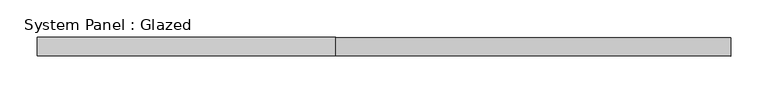
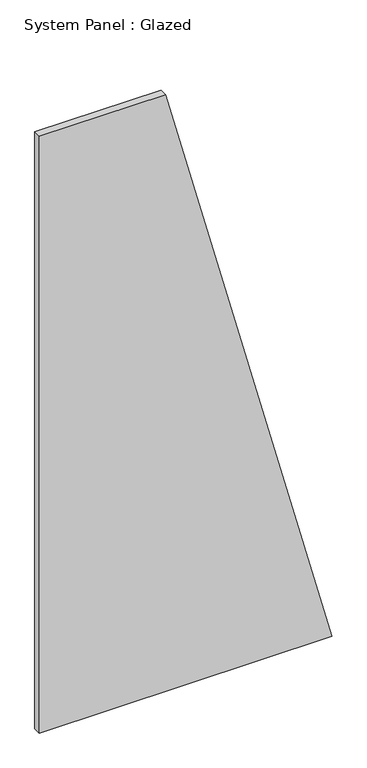
"""IFC4 building model written with IfcOpenShell, lengths in millimetres: plate geometry, System Panel : Glazed."""

import ifcopenshell
import ifcopenshell.guid

model = None  # the IFC model being written
_history = None  # IfcOwnerHistory: only IFC2X3 demands one
_inside = {}  # id of a spatial element -> (the spatial element, [elements in it])
_under = {}  # id of a project, library or spatial element -> (it, [spatial elements below it])
_declared = {}  # id of a project -> (the project, [libraries it declares])
_typed = {}  # id of a type object -> (the type object, [elements of that type])
_made_of = {}  # id of a material, layer set ... -> (it, [elements and type objects made of it])


def new_model(schema):
    """Start an empty IFC model of exactly this schema.

    Asked for "IFC4X3", IfcOpenShell would pick the latest addendum, in which some entities
    have other attributes; the version numbers below select the first issue.
    IFC2X3 requires an IfcOwnerHistory on every rooted entity: one is made here for all.
    """
    global model, _history
    if schema == "IFC4X3":
        model = ifcopenshell.file(schema_version=(4, 3, 0, 0))
    else:
        model = ifcopenshell.file(schema=schema)
    _inside.clear()
    _under.clear()
    _declared.clear()
    _typed.clear()
    _made_of.clear()
    _history = None
    if model.schema == "IFC2X3":
        org = make("IfcOrganization", Name="unknown")
        user = make(
            "IfcPersonAndOrganization",
            ThePerson=make("IfcPerson", FamilyName="unknown"),
            TheOrganization=org,
        )
        app = make(
            "IfcApplication",
            ApplicationDeveloper=org,
            Version="unknown",
            ApplicationFullName="unknown",
            ApplicationIdentifier="unknown",
        )
        _history = make(
            "IfcOwnerHistory",
            OwningUser=user,
            OwningApplication=app,
            ChangeAction="ADDED",
            CreationDate=0,
        )
    return model


def make(cls, **values):
    """One entity of the class cls with the attributes given. An attribute that is None is left unset."""
    return model.create_entity(
        cls, **{name: value for name, value in values.items() if value is not None}
    )


def rooted(cls, **values):
    """An entity with a GlobalId (a new one), such as an element, a storey or a relation."""
    return make(cls, GlobalId=ifcopenshell.guid.new(), OwnerHistory=_history, **values)


def si_unit(unit_type, name, prefix=None):
    """IfcSIUnit, for example si_unit("LENGTHUNIT", "METRE", prefix="MILLI")."""
    return make("IfcSIUnit", UnitType=unit_type, Prefix=prefix, Name=name)


def assignment(units):
    """IfcUnitAssignment: the units of a project."""
    return None if units is None else make("IfcUnitAssignment", Units=units)


def point(xyz):
    """IfcCartesianPoint."""
    return None if xyz is None else make("IfcCartesianPoint", Coordinates=xyz)


def direction(xyz):
    """IfcDirection."""
    return None if xyz is None else make("IfcDirection", DirectionRatios=xyz)


def frame(location, z_axis=None, x_axis=None):
    """IfcAxis2Placement3D, a coordinate frame: its origin and axes. An axis left out is left unset."""
    return make(
        "IfcAxis2Placement3D",
        Location=point(location),
        Axis=direction(z_axis),
        RefDirection=direction(x_axis),
    )


def origin():
    """The frame at (0, 0, 0) with its axes left unset."""
    return frame((0.0, 0.0, 0.0))


def place(relative_to, where):
    """IfcLocalPlacement: puts the frame where relative to a parent placement (None: the world)."""
    return make(
        "IfcLocalPlacement", PlacementRelTo=relative_to, RelativePlacement=where
    )


def context(
    kind, dimensions, precision=None, world=None, true_north=None, identifier=None
):
    """IfcGeometricRepresentationContext, for example the 3D "Model" context."""
    return make(
        "IfcGeometricRepresentationContext",
        ContextIdentifier=identifier,
        ContextType=kind,
        CoordinateSpaceDimension=dimensions,
        Precision=precision,
        WorldCoordinateSystem=world,
        TrueNorth=true_north,
    )


def project(units=None, contexts=None):
    """IfcProject with its units and contexts."""
    return rooted(
        "IfcProject",
        Name="project",
        RepresentationContexts=contexts,
        UnitsInContext=assignment(units),
    )


def spatial(cls, under=None, at=None, **own):
    """A site, building, storey or space (cls), placed at a placement, below another one or the project."""
    s = rooted(cls, ObjectPlacement=at, **own)
    if under is not None:
        _under.setdefault(under.id(), (under, []))[1].append(s)
    return s


def polyline(points):
    """IfcPolyline through the points."""
    return make("IfcPolyline", Points=[point(p) for p in points])


def outline(outer, holes=None, kind="AREA"):
    """IfcArbitraryClosedProfileDef: a profile drawn as a closed curve; with holes, ...WithVoids."""
    if holes is None:
        return make("IfcArbitraryClosedProfileDef", ProfileType=kind, OuterCurve=outer)
    return make(
        "IfcArbitraryProfileDefWithVoids",
        ProfileType=kind,
        OuterCurve=outer,
        InnerCurves=holes,
    )


def extrude(swept, where, along, depth):
    """IfcExtrudedAreaSolid: the profile swept, set in the frame where, extruded along a direction by depth."""
    return make(
        "IfcExtrudedAreaSolid",
        SweptArea=swept,
        Position=where,
        ExtrudedDirection=direction(along),
        Depth=depth,
    )


def shape(context_of_items, identifier, shape_type, items):
    """IfcShapeRepresentation: the items that make up one representation, for example the "Body"."""
    return make(
        "IfcShapeRepresentation",
        ContextOfItems=context_of_items,
        RepresentationIdentifier=identifier,
        RepresentationType=shape_type,
        Items=items,
    )


def source(mapping_origin, context_of_items, identifier, shape_type, items):
    """IfcRepresentationMap: a shape defined once, which mapped items show again and again."""
    return make(
        "IfcRepresentationMap",
        MappingOrigin=mapping_origin,
        MappedRepresentation=shape(context_of_items, identifier, shape_type, items),
    )


def transform(
    local_origin,
    x_axis=None,
    y_axis=None,
    z_axis=None,
    scale=None,
    scale2=None,
    scale3=None,
    uniform=True,
):
    """IfcCartesianTransformationOperator3D, or its non-uniform kind. x_axis, y_axis, z_axis: its Axis1, 2, 3."""
    if uniform:
        return make(
            "IfcCartesianTransformationOperator3D",
            Axis1=direction(x_axis),
            Axis2=direction(y_axis),
            LocalOrigin=point(local_origin),
            Scale=scale,
            Axis3=direction(z_axis),
        )
    return make(
        "IfcCartesianTransformationOperator3DnonUniform",
        Axis1=direction(x_axis),
        Axis2=direction(y_axis),
        LocalOrigin=point(local_origin),
        Scale=scale,
        Axis3=direction(z_axis),
        Scale2=scale2,
        Scale3=scale3,
    )


def mapped(mapping_source, mapping_target):
    """IfcMappedItem: shows the shape of a source again, moved by a transform."""
    return make(
        "IfcMappedItem", MappingSource=mapping_source, MappingTarget=mapping_target
    )


def made_of(thing, what):
    """Note that an element or type object is made of a material, layer set ...; save() writes the relation."""
    if what is not None:
        _made_of.setdefault(what.id(), (what, []))[1].append(thing)
    return thing


def element(
    cls,
    number,
    at=None,
    inside=None,
    cuts=None,
    type_object=None,
    material=None,
    context=None,
    identifier="Body",
    shape_type=None,
    held_by="IfcProductDefinitionShape",
    body=None,
    shapes=None,
    **own,
):
    """One element of the class cls, such as IfcWall. Its Tag is "e" and its number.

    at: its placement. inside: the storey or other place that contains it. cuts: it is an
    opening in that element (IfcRelVoidsElement). A single representation is given by context,
    identifier, shape_type and body (its items); several are given by shapes. held_by: the class
    of the entity that holds the representations. save() writes the other relations.
    """
    e = rooted(cls, Tag="e%d" % number, ObjectPlacement=at, **own)
    if body is not None:
        shapes = [shape(context, identifier, shape_type, body)]
    if shapes is not None:
        e.Representation = make(held_by, Representations=shapes)
    if inside is not None:
        _inside.setdefault(inside.id(), (inside, []))[1].append(e)
    if cuts is not None:
        rooted(
            "IfcRelVoidsElement", RelatingBuildingElement=cuts, RelatedOpeningElement=e
        )
    if type_object is not None:
        _typed.setdefault(type_object.id(), (type_object, []))[1].append(e)
    return made_of(e, material)


def aggregate(whole, parts):
    """IfcRelAggregates: a whole, such as a stair, and the parts it consists of."""
    return rooted("IfcRelAggregates", RelatingObject=whole, RelatedObjects=parts)


def save(model, path):
    """Write the relations noted so far, then the file.

    IfcRelAggregates (storeys below a building ...), IfcRelContainedInSpatialStructure (elements
    in a storey), IfcRelDefinesByType, IfcRelAssociatesMaterial and IfcRelDeclares: one each for
    every whole, place, type object, material and project.
    """
    for whole, parts in _under.values():
        aggregate(whole, parts)
    for where, things in _inside.values():
        rooted(
            "IfcRelContainedInSpatialStructure",
            RelatedElements=things,
            RelatingStructure=where,
        )
    for kind, things in _typed.values():
        rooted("IfcRelDefinesByType", RelatedObjects=things, RelatingType=kind)
    for what, things in _made_of.values():
        rooted("IfcRelAssociatesMaterial", RelatedObjects=things, RelatingMaterial=what)
    for by, libraries in _declared.values():
        rooted("IfcRelDeclares", RelatingContext=by, RelatedDefinitions=libraries)
    model.write(path)


def system_panel_glazed_57bbc7bd(model_context):
    return source(origin(), model_context, "Body", "SweptSolid", [
        extrude(outline(polyline([(0.0, -464.2857141), (0.0, 464.2857141), (2000.0, -64.2857144), (2000.0, -464.2857141), (0.0, -464.2857141)])), frame((0.0, 24.5, 0.0), z_axis=(0.0, 1.0, 0.0), x_axis=(0.0, 0.0, 1.0)), (0.0, 0.0, 1.0), 25.0),
    ])


if __name__ == "__main__":
    model = new_model("IFC4")
    model_context = context("Model", 3, world=origin())
    ifc_project = project(units=[si_unit("LENGTHUNIT", "METRE", prefix="MILLI")], contexts=[model_context])
    site = spatial("IfcSite", under=ifc_project)
    building = spatial("IfcBuilding", under=site)
    placement = place(None, origin())
    system_panel_glazed_shape = system_panel_glazed_57bbc7bd(model_context)
    element("IfcPlate", 1, ObjectType="System Panel : Glazed", at=placement, inside=building, context=model_context, shape_type="MappedRepresentation", body=[
        mapped(system_panel_glazed_shape, transform((0.0, 0.0, 0.0), x_axis=(1.0, 0.0, 0.0), y_axis=(0.0, 1.0, 0.0), z_axis=(0.0, 0.0, 1.0))),
    ])
    save(model, "model.ifc")
